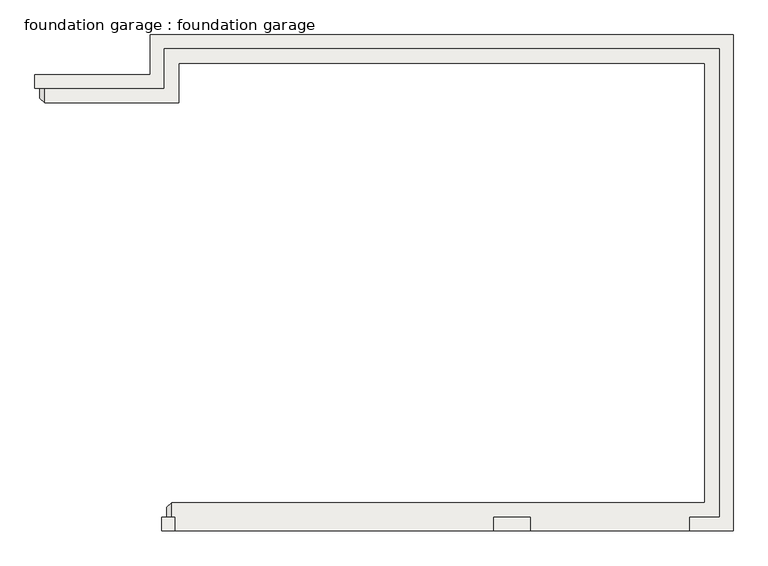
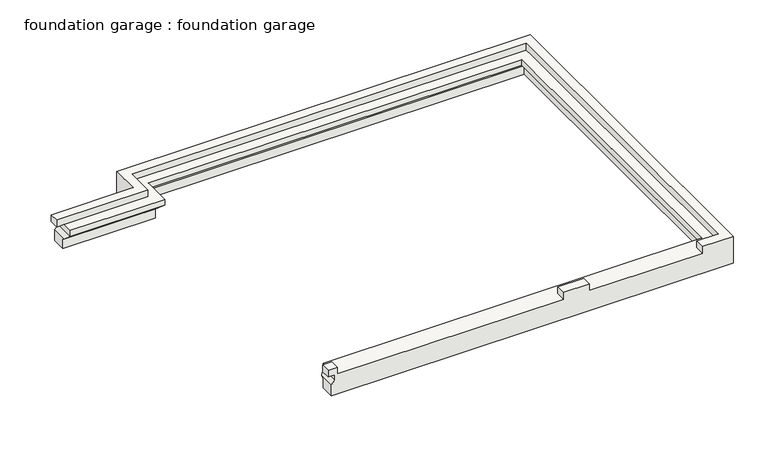
"""IFC4 building model written with IfcOpenShell, lengths in millimetres: slab geometry, foundation garage : foundation garage."""

from ifc_helpers import new_model, si_unit, origin, place, context, project, spatial, faceted_brep, source, transform, mapped, element, save


def foundation_garage_foundation_garage_55bc2b65(model_context):
    return source(origin(), model_context, "Body", "Brep", [
        faceted_brep([(4548.0801397, 3430.8251285, -609.6), (4548.0801397, 3430.8251285, 0.0), (3881.3301397, 3430.8251285, 0.0), (3881.3301397, 3430.8251285, -152.4), (1442.9301397, 3430.8251285, -152.4), (1442.9301397, 3430.8251285, 0.0), (884.1301397, 3430.8251285, 0.0), (884.1301397, 3430.8251285, -152.4), (-3992.6698603, 3430.8251285, -152.4), (-3992.6698603, 3430.8251285, 0.0), (-4189.5198603, 3430.8251285, 0.0), (-4189.5198603, 3430.8251285, -152.4), (-4040.2948603, 3430.8251285, -152.4), (-4040.2948603, 3430.8251285, -279.4), (-4116.4948603, 3430.8251285, -355.6), (-4116.4948603, 3430.8251285, -609.6), (-3992.6698603, 3634.0251285, 0.0), (-4189.5198603, 3634.0251285, 0.0), (-3992.6698603, 3634.0251285, -152.4), (-4040.2948603, 3634.0251285, -152.4), (-4189.5198603, 3634.0251285, -152.4), (4344.8801397, 3634.0251285, -152.4), (4344.8801397, 10812.6998293, -152.4), (-4164.1198603, 10812.6998293, -152.4), (-4164.1198603, 10203.1001285, -152.4), (-5983.3948603, 10203.1001285, -152.4), (-5983.3948603, 9974.5001285, -152.4), (-3935.5198603, 9974.5001285, -152.4), (-3935.5198603, 10584.0998293, -152.4), (4116.2801397, 10584.0998293, -152.4), (4116.2801397, 3862.6251285, -152.4), (-4040.2948603, 3862.6251285, -152.4), (884.1301397, 3634.0251285, -152.4), (1442.9301397, 3634.0251285, -152.4), (3881.3301397, 3634.0251285, -152.4), (4116.2801397, 3862.6251285, -279.4), (-4040.2948603, 3862.6251285, -279.4), (4243.2801397, 3735.6251285, -406.4), (-4116.4948603, 3735.6251285, -406.4), (-4116.4948603, 3786.4251285, -355.6), (4243.2801397, 3735.6251285, -609.6), (-4116.4948603, 3735.6251285, -609.6), (4243.2801397, 10711.0998293, -609.6), (-4062.5198603, 10711.0998293, -609.6), (-4062.5198603, 10101.5001285, -609.6), (-6059.5948603, 10101.5001285, -609.6), (-6059.5948603, 10406.3001285, -609.6), (-4367.3198603, 10406.3001285, -609.6), (-4367.3198603, 11015.8998293, -609.6), (4548.0801397, 11015.8998293, -609.6), (4548.0801397, 11015.8998293, 0.0), (4344.8801397, 3634.0251285, 0.0), (4344.8801397, 10812.6998293, 0.0), (4116.2801397, 10584.0998293, -279.4), (4243.2801397, 10711.0998293, -406.4), (-4367.3198603, 11015.8998293, 0.0), (-4164.1198603, 10812.6998293, 0.0), (-3935.5198603, 10584.0998293, -279.4), (-4062.5198603, 10711.0998293, -406.4), (-4367.3198603, 10406.3001285, 0.0), (-4164.1198603, 10203.1001285, 0.0), (-3935.5198603, 9974.5001285, -279.4), (-4062.5198603, 10101.5001285, -406.4), (-6059.5948603, 10406.3001285, -355.6), (-5983.3948603, 10406.3001285, -279.4), (-5983.3948603, 10406.3001285, -152.4), (-6132.6198603, 10406.3001285, -152.4), (-6132.6198603, 10406.3001285, 0.0), (-6132.6198603, 10203.1001285, 0.0), (-6132.6198603, 10203.1001285, -152.4), (-5983.3948603, 9974.5001285, -279.4), (-6059.5948603, 10050.7001285, -355.6), (-6059.5948603, 10101.5001285, -406.4), (3881.3301397, 3634.0251285, 0.0), (1442.9301397, 3634.0251285, 0.0), (884.1301397, 3634.0251285, 0.0)], [[[0, 1, 2, 3, 4, 5, 6, 7, 8, 9, 10, 11, 12, 13, 14, 15]], [[9, 16, 17, 10]], [[16, 18, 19, 20, 17]], [[21, 22, 23, 24, 25, 26, 27, 28, 29, 30, 31, 19, 18, 8, 7, 32, 33, 4, 3, 34]], [[30, 35, 36, 31]], [[35, 37, 38, 39, 36]], [[37, 40, 41, 38]], [[40, 42, 43, 44, 45, 46, 47, 48, 49, 0, 15, 41]], [[1, 0, 49, 50]], [[51, 52, 22, 21]], [[30, 29, 53, 35]], [[37, 35, 53, 54]], [[40, 37, 54, 42]], [[55, 50, 49, 48]], [[52, 56, 23, 22]], [[29, 28, 57, 53]], [[54, 53, 57, 58]], [[43, 42, 54, 58]], [[59, 55, 48, 47]], [[56, 60, 24, 23]], [[28, 27, 61, 57]], [[58, 57, 61, 62]], [[44, 43, 58, 62]], [[59, 47, 46, 63, 64, 65, 66, 67]], [[24, 60, 68, 69, 25]], [[61, 27, 26, 70]], [[62, 61, 70, 71, 72]], [[44, 62, 72, 45]], [[3, 2, 73, 34]], [[5, 4, 33, 74]], [[7, 6, 75, 32]], [[9, 8, 18, 16]], [[6, 5, 74, 75]], [[1, 50, 55, 59, 67, 68, 60, 56, 52, 51, 73, 2]], [[75, 74, 33, 32]], [[51, 21, 34, 73]], [[14, 39, 38, 41, 15]], [[13, 36, 39, 14]], [[12, 19, 31, 36, 13]], [[19, 12, 11, 20]], [[20, 11, 10, 17]], [[71, 63, 46, 45, 72]], [[70, 64, 63, 71]], [[25, 65, 64, 70, 26]], [[66, 69, 68, 67]], [[65, 25, 69, 66]]]),
    ])


if __name__ == "__main__":
    model = new_model("IFC4")
    model_context = context("Model", 3, world=origin())
    ifc_project = project(units=[si_unit("LENGTHUNIT", "METRE", prefix="MILLI")], contexts=[model_context])
    site = spatial("IfcSite", under=ifc_project)
    building = spatial("IfcBuilding", under=site)
    placement = place(None, origin())
    foundation_garage_foundation_garage_shape = foundation_garage_foundation_garage_55bc2b65(model_context)
    element("IfcSlab", 1, ObjectType="foundation garage : foundation garage", at=placement, inside=building, context=model_context, shape_type="MappedRepresentation", body=[
        mapped(foundation_garage_foundation_garage_shape, transform((0.0, 0.0, 0.0), x_axis=(1.0, 0.0, 0.0), y_axis=(0.0, 1.0, 0.0), z_axis=(0.0, 0.0, 1.0))),
    ])
    save(model, "model.ifc")
